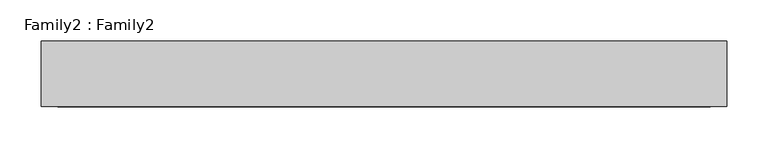
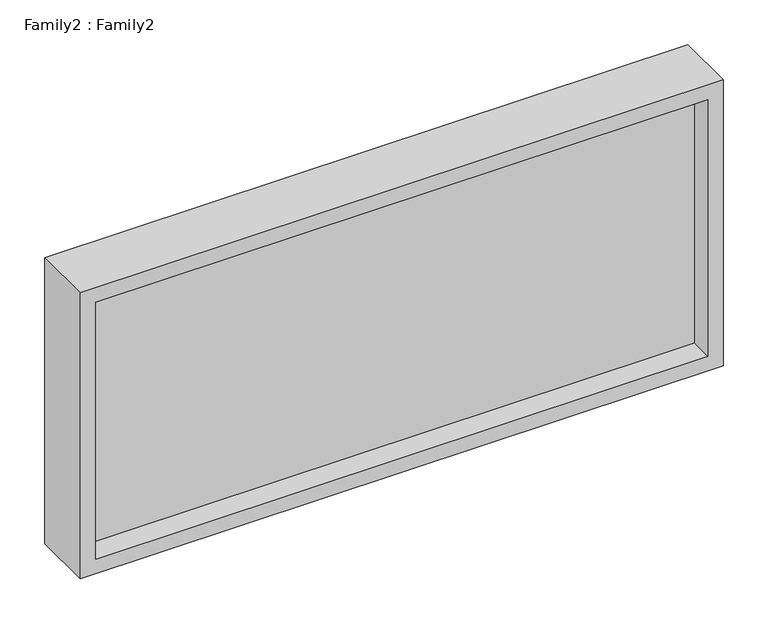
"""IFC4 building model written with IfcOpenShell, lengths in millimetres: plate geometry, Family2 : Family2."""

from ifc_helpers import new_model, si_unit, frame, origin, place, context, project, spatial, polyline, outline, extrude, source, transform, mapped, element, save


def family2_family2_4145945d(model_context):
    return source(origin(), model_context, "Body", "SweptSolid", [
        extrude(outline(polyline([(391.6666667, -416.6666667), (0.0, -416.6666667), (0.0, 416.6666667), (391.6666667, 416.6666667), (391.6666667, -416.6666667)]), holes=[polyline([(20.0, -396.6666667), (371.6666667, -396.6666667), (371.6666667, 396.6666667), (20.0, 396.6666667), (20.0, -396.6666667)])]), frame((0.0, -40.0, 0.0), z_axis=(0.0, 1.0, 0.0), x_axis=(0.0, 0.0, 1.0)), (0.0, 0.0, 1.0), 80.0),
        extrude(outline(polyline([(396.6666667, -10.0), (-396.6666667, -10.0), (-396.6666667, 10.0), (396.6666667, 10.0), (396.6666667, -10.0)])), frame((0.0, 0.0, 20.0), z_axis=(0.0, 0.0, 1.0), x_axis=(1.0, 0.0, 0.0)), (0.0, 0.0, 1.0), 351.6666667),
    ])


if __name__ == "__main__":
    model = new_model("IFC4")
    model_context = context("Model", 3, world=origin())
    ifc_project = project(units=[si_unit("LENGTHUNIT", "METRE", prefix="MILLI")], contexts=[model_context])
    site = spatial("IfcSite", under=ifc_project)
    building = spatial("IfcBuilding", under=site)
    placement = place(None, origin())
    family2_family2_shape = family2_family2_4145945d(model_context)
    element("IfcPlate", 1, ObjectType="Family2 : Family2", at=placement, inside=building, context=model_context, shape_type="MappedRepresentation", body=[
        mapped(family2_family2_shape, transform((0.0, 0.0, 0.0), x_axis=(1.0, 0.0, 0.0), y_axis=(0.0, 1.0, 0.0), z_axis=(0.0, 0.0, 1.0))),
    ])
    save(model, "model.ifc")
